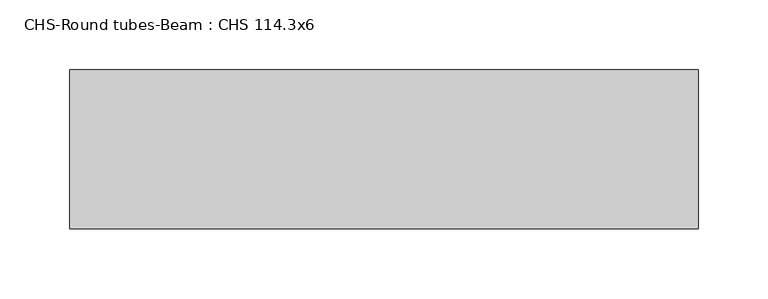
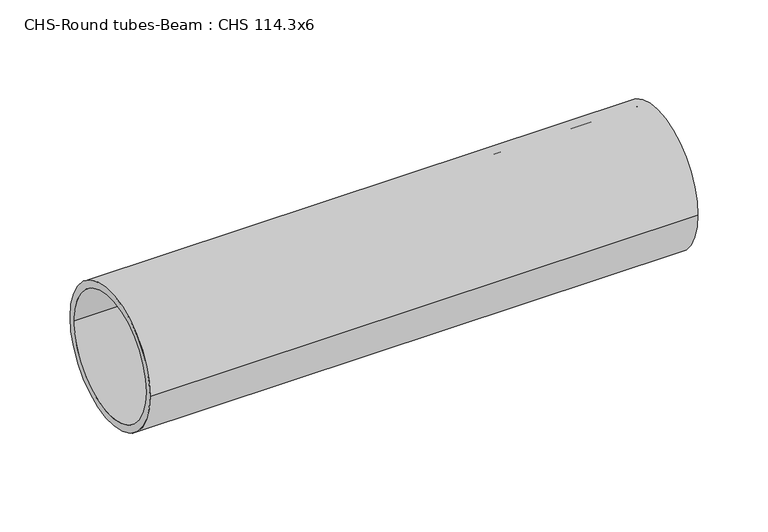
"""IFC4 building model written with IfcOpenShell, lengths in millimetres: beam geometry, CHS-Round tubes-Beam : CHS 114.3x6."""

from ifc_helpers import new_model, si_unit, point, frame, origin, origin_2d, place, context, project, spatial, circle_curve, trimmed, segment, composite_curve, outline, extrude, source, transform, mapped, element, save


def chs_round_tubes_beam_chs_114_3x6_fb878324(model_context):
    return source(origin(), model_context, "Body", "SweptSolid", [
        extrude(outline(composite_curve([segment(trimmed(circle_curve(origin_2d(), 57.15), [point((57.15, 0.0))], [point((-57.15, 0.0))], False, "CARTESIAN"), True, "CONTINUOUS"), segment(trimmed(circle_curve(origin_2d(), 57.15), [point((-57.15, 0.0))], [point((57.15, 0.0))], False, "CARTESIAN"), True, "CONTINUOUS")], self_intersect=False), holes=[composite_curve([segment(trimmed(circle_curve(origin_2d(), 51.15), [point((51.15, 0.0))], [point((-51.15, 0.0))], True, "CARTESIAN"), True, "CONTINUOUS"), segment(trimmed(circle_curve(origin_2d(), 51.15), [point((-51.15, 0.0))], [point((51.15, 0.0))], True, "CARTESIAN"), True, "CONTINUOUS")], self_intersect=False)]), frame((-211.5608773, 0.0, 0.0), z_axis=(1.0, 0.0, 0.0), x_axis=(0.0, 1.0, 0.0)), (0.0, 0.0, 1.0), 451.0526252),
    ])


if __name__ == "__main__":
    model = new_model("IFC4")
    model_context = context("Model", 3, world=origin())
    ifc_project = project(units=[si_unit("LENGTHUNIT", "METRE", prefix="MILLI")], contexts=[model_context])
    site = spatial("IfcSite", under=ifc_project)
    building = spatial("IfcBuilding", under=site)
    placement = place(None, origin())
    chs_round_tubes_beam_chs_114_3x6_shape = chs_round_tubes_beam_chs_114_3x6_fb878324(model_context)
    element("IfcBeam", 1, ObjectType="CHS-Round tubes-Beam : CHS 114.3x6", at=placement, inside=building, context=model_context, shape_type="MappedRepresentation", body=[
        mapped(chs_round_tubes_beam_chs_114_3x6_shape, transform((0.0, 0.0, 0.0), x_axis=(1.0, 0.0, 0.0), y_axis=(0.0, 1.0, 0.0), z_axis=(0.0, 0.0, 1.0))),
    ])
    save(model, "model.ifc")
